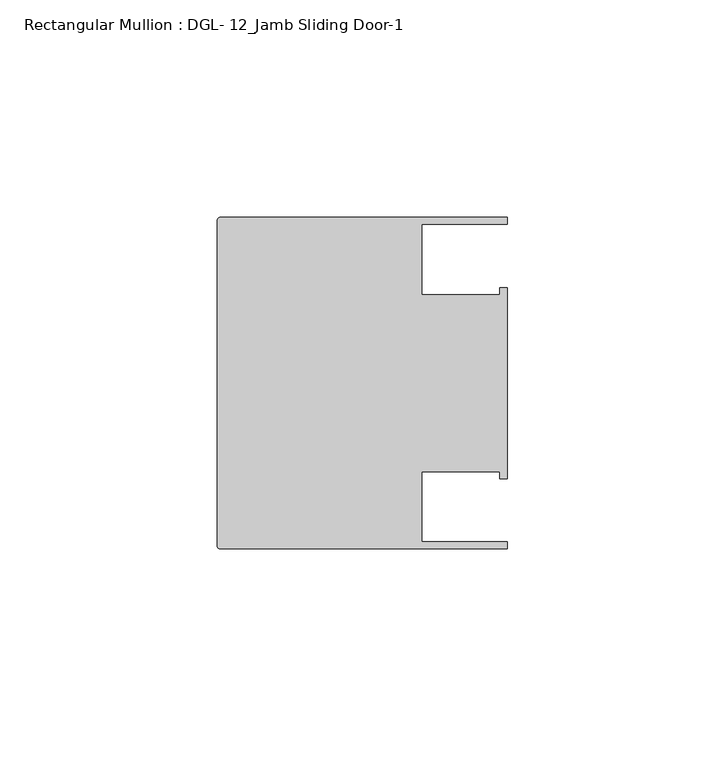
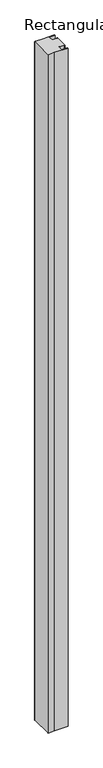
"""IFC4 building model written with IfcOpenShell, lengths in millimetres: member geometry, Rectangular Mullion : DGL- 12_Jamb Sliding Door-1."""

from ifc_helpers import new_model, si_unit, frame, origin, place, context, project, spatial, circle_curve, source, transform, mapped, element, save
from ifc_brep_helpers import plane_surface, cylinder_surface, advanced_brep


def rectangular_mullion_dgl_12_jamb_sliding_door_1_f1a7cea1(model_context):
    return source(origin(), model_context, "Body", "AdvancedBrep", [
        advanced_brep(
        [(66.6740655, -38.0996472, 0.0), (66.6740655, -36.512484, 0.0), (47.0121851, -36.512484, 0.0), (47.0121851, -20.3415833, 0.0), (64.9202072, -20.3415833, 0.0), (64.9202072, -21.9710656, 0.0), (66.6740655, -21.9710656, 0.0), (66.6740655, 21.9711296, 0.0), (64.9202072, 21.9711296, 0.0), (64.9202072, 20.292327, 0.0), (46.9507384, 20.292327, 0.0), (46.9507384, 36.5073056, 0.0), (66.6649711, 36.5073056, 0.0), (66.6649711, 38.100048, 0.0), (25.1629839, 38.100048, 0.0), (0.5953125, 38.100016, 0.0), (0.0, 37.5047035, 0.0), (0.0, -37.5046715, 0.0), (0.5953125, -38.099984, 0.0), (22.0141894, -38.099984, 0.0), (66.6740655, -38.0996472, -2386.0078176), (22.0141894, -38.0996472, -2386.0078176), (0.5953125, -38.099984, -2386.0078176), (0.0, -37.5046715, -2386.0078176), (0.0, 37.5047035, -2386.0078176), (0.5953125, 38.100016, -2386.0078176), (25.1629839, 38.100016, -2386.0078176), (66.6649711, 38.100048, -2386.0078176), (66.6649711, 36.5073056, -2386.0078176), (46.9507384, 36.5073056, -2386.0078176), (46.9507384, 20.292327, -2386.0078176), (64.9202072, 20.292327, -2386.0078176), (64.9202072, 21.9711296, -2386.0078176), (66.6740655, 21.9711296, -2386.0078176), (66.6740655, -21.9710656, -2386.0078176), (64.9202072, -21.9710656, -2386.0078176), (64.9202072, -20.3415833, -2386.0078176), (47.0121851, -20.3415833, -2386.0078176), (47.0121851, -36.512484, -2386.0078176), (66.6740655, -36.512484, -2386.0078176)],
        [
            (0, 1),
            (1, 2),
            (2, 3),
            (3, 4),
            (4, 5),
            (5, 6),
            (6, 7),
            (7, 8),
            (8, 9),
            (9, 10),
            (10, 11),
            (11, 12),
            (12, 13),
            (13, 14),
            (14, 15),
            (15, 16, circle_curve(frame((0.5953125, 37.5047035, 0.0), z_axis=(0.0, 0.0, 1.0), x_axis=(1.0, 0.0, 0.0)), 0.5953125)),
            (16, 17),
            (17, 18, circle_curve(frame((0.5953125, -37.5046715, 0.0), z_axis=(0.0, 0.0, 1.0), x_axis=(1.0, 0.0, 0.0)), 0.5953125)),
            (18, 19),
            (19, 0),
            (20, 21),
            (21, 22),
            (22, 23, circle_curve(frame((0.5953125, -37.5046715, -2386.0078176), z_axis=(0.0, 0.0, -1.0), x_axis=(1.0, 0.0, 0.0)), 0.5953125)),
            (23, 24),
            (24, 25, circle_curve(frame((0.5953125, 37.5047035, -2386.0078176), z_axis=(0.0, 0.0, -1.0), x_axis=(1.0, 0.0, 0.0)), 0.5953125)),
            (25, 26),
            (26, 27),
            (27, 28),
            (28, 29),
            (29, 30),
            (30, 31),
            (31, 32),
            (32, 33),
            (33, 34),
            (34, 35),
            (35, 36),
            (36, 37),
            (37, 38),
            (38, 39),
            (39, 20),
            (19, 21),
            (20, 0),
            (39, 1),
            (38, 2),
            (37, 3),
            (36, 4),
            (35, 5),
            (34, 6),
            (33, 7),
            (32, 8),
            (31, 9),
            (30, 10),
            (29, 11),
            (28, 12),
            (27, 13),
            (26, 14),
            (25, 15),
            (16, 24),
            (23, 17),
            (18, 22),
        ],
        [
            plane_surface(frame((0.0, -76.7920186, 0.0), z_axis=(0.0, 0.0, 1.0), x_axis=(-1.0, 0.0, 0.0))),
            plane_surface(frame((0.0, -76.7920186, -2386.0078176), z_axis=(0.0, 0.0, -1.0), x_axis=(-1.0, 0.0, 0.0))),
            plane_surface(frame((22.0141894, -38.0996472, 0.0), z_axis=(0.0, -1.0, 0.0), x_axis=(0.0, 0.0, -1.0))),
            plane_surface(frame((66.6740655, -38.0996472, 0.0), z_axis=(1.0, 0.0, 0.0), x_axis=(0.0, 0.0, -1.0))),
            plane_surface(frame((66.6740655, -36.512484, 0.0), z_axis=(0.0, 1.0, 0.0), x_axis=(0.0, 0.0, -1.0))),
            plane_surface(frame((47.0121851, -36.512484, 0.0), z_axis=(1.0, 0.0, 0.0), x_axis=(0.0, 0.0, -1.0))),
            plane_surface(frame((47.0121851, -20.3415833, 0.0), z_axis=(0.0, -1.0, 0.0), x_axis=(0.0, 0.0, -1.0))),
            plane_surface(frame((64.9202072, -20.3415833, 0.0), z_axis=(-1.0, 0.0, 0.0), x_axis=(0.0, 0.0, -1.0))),
            plane_surface(frame((64.9202072, -21.9710656, 0.0), z_axis=(0.0, -1.0, 0.0), x_axis=(0.0, 0.0, -1.0))),
            plane_surface(frame((66.6740655, -21.9710656, 0.0), z_axis=(1.0, 0.0, 0.0), x_axis=(0.0, 0.0, -1.0))),
            plane_surface(frame((66.6740655, 21.9711296, 0.0), z_axis=(0.0, 1.0, 0.0), x_axis=(0.0, 0.0, -1.0))),
            plane_surface(frame((64.9202072, 21.9711296, 0.0), z_axis=(-1.0, 0.0, 0.0), x_axis=(0.0, 0.0, -1.0))),
            plane_surface(frame((64.9202072, 20.292327, 0.0), z_axis=(0.0, 1.0, 0.0), x_axis=(0.0, 0.0, -1.0))),
            plane_surface(frame((46.9507384, 20.292327, 0.0), z_axis=(1.0, 0.0, 0.0), x_axis=(0.0, 0.0, -1.0))),
            plane_surface(frame((46.9507384, 36.5073056, 0.0), z_axis=(0.0, -1.0, 0.0), x_axis=(0.0, 0.0, -1.0))),
            plane_surface(frame((66.6649711, 36.5073056, 0.0), z_axis=(1.0, 0.0, 0.0), x_axis=(0.0, 0.0, -1.0))),
            plane_surface(frame((66.6649711, 38.100048, 0.0), z_axis=(0.0, 1.0, 0.0), x_axis=(0.0, 0.0, -1.0))),
            plane_surface(frame((25.1629839, 38.100016, 0.0), z_axis=(0.0, 1.0, 0.0), x_axis=(0.0, 0.0, -1.0))),
            plane_surface(frame((0.0, 37.5047035, 0.0), z_axis=(-1.0, 0.0, 0.0), x_axis=(0.0, 0.0, -1.0))),
            plane_surface(frame((0.5953125, -38.099984, 0.0), z_axis=(0.0, -1.0, 0.0), x_axis=(0.0, 0.0, -1.0))),
            cylinder_surface(frame((0.5953125, 37.5047035, 0.0), z_axis=(0.0, 0.0, 1.0), x_axis=(1.0, 0.0, 0.0)), 0.5953125),
            cylinder_surface(frame((0.5953125, -37.5046715, 0.0), z_axis=(0.0, 0.0, 1.0), x_axis=(1.0, 0.0, 0.0)), 0.5953125),
        ],
        [
            (0, [[1, 2, 3, 4, 5, 6, 7, 8, 9, 10, 11, 12, 13, 14, 15, 16, 17, 18, 19, 20]]),
            (1, [[21, 22, 23, 24, 25, 26, 27, 28, 29, 30, 31, 32, 33, 34, 35, 36, 37, 38, 39, 40]]),
            (2, [[-20, 41, -21, 42]]),
            (3, [[-1, -42, -40, 43]]),
            (4, [[-2, -43, -39, 44]]),
            (5, [[-3, -44, -38, 45]]),
            (6, [[-4, -45, -37, 46]]),
            (7, [[-5, -46, -36, 47]]),
            (8, [[-6, -47, -35, 48]]),
            (9, [[-7, -48, -34, 49]]),
            (10, [[-8, -49, -33, 50]]),
            (11, [[-9, -50, -32, 51]]),
            (12, [[-10, -51, -31, 52]]),
            (13, [[-11, -52, -30, 53]]),
            (14, [[-12, -53, -29, 54]]),
            (15, [[-13, -54, -28, 55]]),
            (16, [[-14, -55, -27, 56]]),
            (17, [[-15, -56, -26, 57]]),
            (18, [[-17, 58, -24, 59]]),
            (19, [[-19, 60, -22, -41]]),
            (20, [[-16, -57, -25, -58]]),
            (21, [[-18, -59, -23, -60]]),
        ],
    ),
    ])


if __name__ == "__main__":
    model = new_model("IFC4")
    model_context = context("Model", 3, world=origin())
    ifc_project = project(units=[si_unit("LENGTHUNIT", "METRE", prefix="MILLI")], contexts=[model_context])
    site = spatial("IfcSite", under=ifc_project)
    building = spatial("IfcBuilding", under=site)
    placement = place(None, origin())
    rectangular_mullion_dgl_12_jamb_sliding_door_1_shape = rectangular_mullion_dgl_12_jamb_sliding_door_1_f1a7cea1(model_context)
    element("IfcMember", 1, ObjectType="Rectangular Mullion : DGL- 12_Jamb Sliding Door-1", at=placement, inside=building, context=model_context, shape_type="MappedRepresentation", body=[
        mapped(rectangular_mullion_dgl_12_jamb_sliding_door_1_shape, transform((0.0, 0.0, 0.0), x_axis=(1.0, 0.0, 0.0), y_axis=(0.0, 1.0, 0.0), z_axis=(0.0, 0.0, 1.0))),
    ])
    save(model, "model.ifc")
